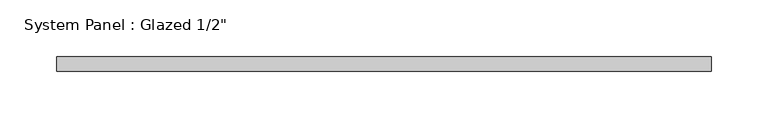
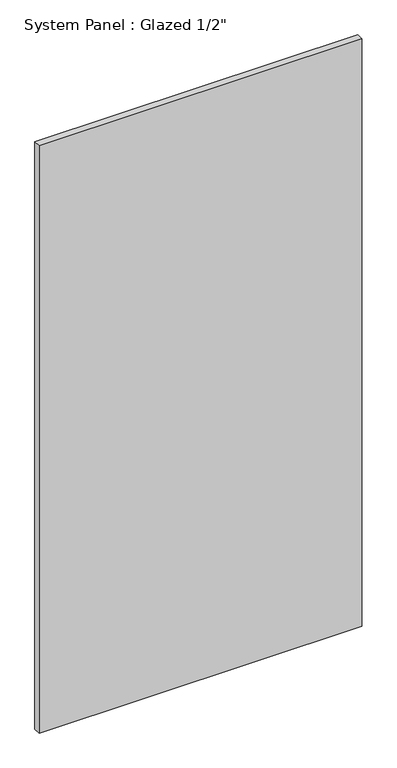
"""IFC4 building model written with IfcOpenShell, lengths in millimetres: plate geometry."""

from ifc_helpers import new_model, si_unit, origin, origin_with_axes, place, context, project, spatial, polyline, outline, extrude, source, transform, mapped, element, save


def plate_07647159(model_context):
    return source(origin(), model_context, "Body", "SweptSolid", [
        extrude(outline(polyline([(288.925, -1.5875), (-288.925, -1.5875), (-288.925, 11.1125), (288.925, 11.1125), (288.925, -1.5875)])), origin_with_axes(), (0.0, 0.0, 1.0), 1111.25),
    ])


if __name__ == "__main__":
    model = new_model("IFC4")
    model_context = context("Model", 3, world=origin())
    ifc_project = project(units=[si_unit("LENGTHUNIT", "METRE", prefix="MILLI")], contexts=[model_context])
    site = spatial("IfcSite", under=ifc_project)
    building = spatial("IfcBuilding", under=site)
    placement = place(None, origin())
    plate_shape = plate_07647159(model_context)
    element("IfcPlate", 1, ObjectType="System Panel : Glazed 1/2\"", at=placement, inside=building, context=model_context, shape_type="MappedRepresentation", body=[
        mapped(plate_shape, transform((0.0, 0.0, 0.0), x_axis=(1.0, 0.0, 0.0), y_axis=(0.0, 1.0, 0.0), z_axis=(0.0, 0.0, 1.0))),
    ])
    save(model, "model.ifc")
